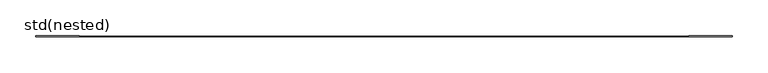
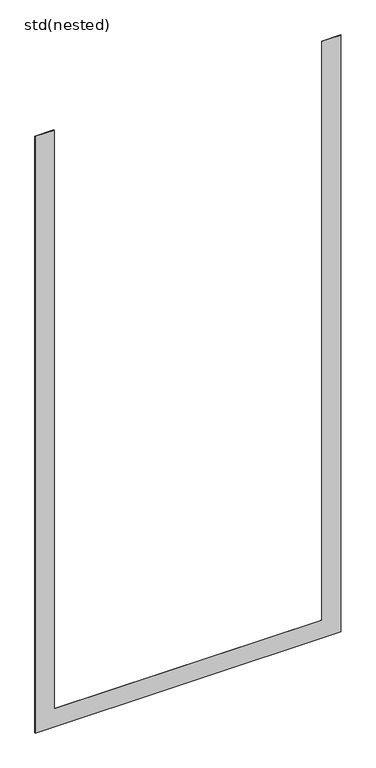
"""IFC4 building model written with IfcOpenShell, lengths in millimetres: proxy geometry, std(nested)."""

import ifcopenshell
import ifcopenshell.guid

model = None  # the IFC model being written
_history = None  # IfcOwnerHistory: only IFC2X3 demands one
_inside = {}  # id of a spatial element -> (the spatial element, [elements in it])
_under = {}  # id of a project, library or spatial element -> (it, [spatial elements below it])
_declared = {}  # id of a project -> (the project, [libraries it declares])
_typed = {}  # id of a type object -> (the type object, [elements of that type])
_made_of = {}  # id of a material, layer set ... -> (it, [elements and type objects made of it])


def new_model(schema):
    """Start an empty IFC model of exactly this schema.

    Asked for "IFC4X3", IfcOpenShell would pick the latest addendum, in which some entities
    have other attributes; the version numbers below select the first issue.
    IFC2X3 requires an IfcOwnerHistory on every rooted entity: one is made here for all.
    """
    global model, _history
    if schema == "IFC4X3":
        model = ifcopenshell.file(schema_version=(4, 3, 0, 0))
    else:
        model = ifcopenshell.file(schema=schema)
    _inside.clear()
    _under.clear()
    _declared.clear()
    _typed.clear()
    _made_of.clear()
    _history = None
    if model.schema == "IFC2X3":
        org = make("IfcOrganization", Name="unknown")
        user = make(
            "IfcPersonAndOrganization",
            ThePerson=make("IfcPerson", FamilyName="unknown"),
            TheOrganization=org,
        )
        app = make(
            "IfcApplication",
            ApplicationDeveloper=org,
            Version="unknown",
            ApplicationFullName="unknown",
            ApplicationIdentifier="unknown",
        )
        _history = make(
            "IfcOwnerHistory",
            OwningUser=user,
            OwningApplication=app,
            ChangeAction="ADDED",
            CreationDate=0,
        )
    return model


def make(cls, **values):
    """One entity of the class cls with the attributes given. An attribute that is None is left unset."""
    return model.create_entity(
        cls, **{name: value for name, value in values.items() if value is not None}
    )


def rooted(cls, **values):
    """An entity with a GlobalId (a new one), such as an element, a storey or a relation."""
    return make(cls, GlobalId=ifcopenshell.guid.new(), OwnerHistory=_history, **values)


def si_unit(unit_type, name, prefix=None):
    """IfcSIUnit, for example si_unit("LENGTHUNIT", "METRE", prefix="MILLI")."""
    return make("IfcSIUnit", UnitType=unit_type, Prefix=prefix, Name=name)


def assignment(units):
    """IfcUnitAssignment: the units of a project."""
    return None if units is None else make("IfcUnitAssignment", Units=units)


def point(xyz):
    """IfcCartesianPoint."""
    return None if xyz is None else make("IfcCartesianPoint", Coordinates=xyz)


def direction(xyz):
    """IfcDirection."""
    return None if xyz is None else make("IfcDirection", DirectionRatios=xyz)


def frame(location, z_axis=None, x_axis=None):
    """IfcAxis2Placement3D, a coordinate frame: its origin and axes. An axis left out is left unset."""
    return make(
        "IfcAxis2Placement3D",
        Location=point(location),
        Axis=direction(z_axis),
        RefDirection=direction(x_axis),
    )


def origin():
    """The frame at (0, 0, 0) with its axes left unset."""
    return frame((0.0, 0.0, 0.0))


def place(relative_to, where):
    """IfcLocalPlacement: puts the frame where relative to a parent placement (None: the world)."""
    return make(
        "IfcLocalPlacement", PlacementRelTo=relative_to, RelativePlacement=where
    )


def context(
    kind, dimensions, precision=None, world=None, true_north=None, identifier=None
):
    """IfcGeometricRepresentationContext, for example the 3D "Model" context."""
    return make(
        "IfcGeometricRepresentationContext",
        ContextIdentifier=identifier,
        ContextType=kind,
        CoordinateSpaceDimension=dimensions,
        Precision=precision,
        WorldCoordinateSystem=world,
        TrueNorth=true_north,
    )


def project(units=None, contexts=None):
    """IfcProject with its units and contexts."""
    return rooted(
        "IfcProject",
        Name="project",
        RepresentationContexts=contexts,
        UnitsInContext=assignment(units),
    )


def spatial(cls, under=None, at=None, **own):
    """A site, building, storey or space (cls), placed at a placement, below another one or the project."""
    s = rooted(cls, ObjectPlacement=at, **own)
    if under is not None:
        _under.setdefault(under.id(), (under, []))[1].append(s)
    return s


def polyline(points):
    """IfcPolyline through the points."""
    return make("IfcPolyline", Points=[point(p) for p in points])


def outline(outer, holes=None, kind="AREA"):
    """IfcArbitraryClosedProfileDef: a profile drawn as a closed curve; with holes, ...WithVoids."""
    if holes is None:
        return make("IfcArbitraryClosedProfileDef", ProfileType=kind, OuterCurve=outer)
    return make(
        "IfcArbitraryProfileDefWithVoids",
        ProfileType=kind,
        OuterCurve=outer,
        InnerCurves=holes,
    )


def extrude(swept, where, along, depth):
    """IfcExtrudedAreaSolid: the profile swept, set in the frame where, extruded along a direction by depth."""
    return make(
        "IfcExtrudedAreaSolid",
        SweptArea=swept,
        Position=where,
        ExtrudedDirection=direction(along),
        Depth=depth,
    )


def shape(context_of_items, identifier, shape_type, items):
    """IfcShapeRepresentation: the items that make up one representation, for example the "Body"."""
    return make(
        "IfcShapeRepresentation",
        ContextOfItems=context_of_items,
        RepresentationIdentifier=identifier,
        RepresentationType=shape_type,
        Items=items,
    )


def source(mapping_origin, context_of_items, identifier, shape_type, items):
    """IfcRepresentationMap: a shape defined once, which mapped items show again and again."""
    return make(
        "IfcRepresentationMap",
        MappingOrigin=mapping_origin,
        MappedRepresentation=shape(context_of_items, identifier, shape_type, items),
    )


def transform(
    local_origin,
    x_axis=None,
    y_axis=None,
    z_axis=None,
    scale=None,
    scale2=None,
    scale3=None,
    uniform=True,
):
    """IfcCartesianTransformationOperator3D, or its non-uniform kind. x_axis, y_axis, z_axis: its Axis1, 2, 3."""
    if uniform:
        return make(
            "IfcCartesianTransformationOperator3D",
            Axis1=direction(x_axis),
            Axis2=direction(y_axis),
            LocalOrigin=point(local_origin),
            Scale=scale,
            Axis3=direction(z_axis),
        )
    return make(
        "IfcCartesianTransformationOperator3DnonUniform",
        Axis1=direction(x_axis),
        Axis2=direction(y_axis),
        LocalOrigin=point(local_origin),
        Scale=scale,
        Axis3=direction(z_axis),
        Scale2=scale2,
        Scale3=scale3,
    )


def mapped(mapping_source, mapping_target):
    """IfcMappedItem: shows the shape of a source again, moved by a transform."""
    return make(
        "IfcMappedItem", MappingSource=mapping_source, MappingTarget=mapping_target
    )


def made_of(thing, what):
    """Note that an element or type object is made of a material, layer set ...; save() writes the relation."""
    if what is not None:
        _made_of.setdefault(what.id(), (what, []))[1].append(thing)
    return thing


def element(
    cls,
    number,
    at=None,
    inside=None,
    cuts=None,
    type_object=None,
    material=None,
    context=None,
    identifier="Body",
    shape_type=None,
    held_by="IfcProductDefinitionShape",
    body=None,
    shapes=None,
    **own,
):
    """One element of the class cls, such as IfcWall. Its Tag is "e" and its number.

    at: its placement. inside: the storey or other place that contains it. cuts: it is an
    opening in that element (IfcRelVoidsElement). A single representation is given by context,
    identifier, shape_type and body (its items); several are given by shapes. held_by: the class
    of the entity that holds the representations. save() writes the other relations.
    """
    e = rooted(cls, Tag="e%d" % number, ObjectPlacement=at, **own)
    if body is not None:
        shapes = [shape(context, identifier, shape_type, body)]
    if shapes is not None:
        e.Representation = make(held_by, Representations=shapes)
    if inside is not None:
        _inside.setdefault(inside.id(), (inside, []))[1].append(e)
    if cuts is not None:
        rooted(
            "IfcRelVoidsElement", RelatingBuildingElement=cuts, RelatedOpeningElement=e
        )
    if type_object is not None:
        _typed.setdefault(type_object.id(), (type_object, []))[1].append(e)
    return made_of(e, material)


def aggregate(whole, parts):
    """IfcRelAggregates: a whole, such as a stair, and the parts it consists of."""
    return rooted("IfcRelAggregates", RelatingObject=whole, RelatedObjects=parts)


def save(model, path):
    """Write the relations noted so far, then the file.

    IfcRelAggregates (storeys below a building ...), IfcRelContainedInSpatialStructure (elements
    in a storey), IfcRelDefinesByType, IfcRelAssociatesMaterial and IfcRelDeclares: one each for
    every whole, place, type object, material and project.
    """
    for whole, parts in _under.values():
        aggregate(whole, parts)
    for where, things in _inside.values():
        rooted(
            "IfcRelContainedInSpatialStructure",
            RelatedElements=things,
            RelatingStructure=where,
        )
    for kind, things in _typed.values():
        rooted("IfcRelDefinesByType", RelatedObjects=things, RelatingType=kind)
    for what, things in _made_of.values():
        rooted("IfcRelAssociatesMaterial", RelatedObjects=things, RelatingMaterial=what)
    for by, libraries in _declared.values():
        rooted("IfcRelDeclares", RelatingContext=by, RelatedDefinitions=libraries)
    model.write(path)


def std_nested_a6ced42a(model_context):
    return source(origin(), model_context, "Body", "SweptSolid", [
        extrude(outline(polyline([(0.0, -484.5), (0.0, 484.5), (2000.0, 484.5), (2000.0, 424.5), (60.0, 424.5), (60.0, -424.5), (2000.0, -424.5), (2000.0, -484.5), (0.0, -484.5)])), frame((0.0, -1.0, 0.0), z_axis=(0.0, 1.0, 0.0), x_axis=(0.0, 0.0, 1.0)), (0.0, 0.0, 1.0), 1.0),
    ])


if __name__ == "__main__":
    model = new_model("IFC4")
    model_context = context("Model", 3, world=origin())
    ifc_project = project(units=[si_unit("LENGTHUNIT", "METRE", prefix="MILLI")], contexts=[model_context])
    site = spatial("IfcSite", under=ifc_project)
    building = spatial("IfcBuilding", under=site)
    placement = place(None, origin())
    std_nested_shape = std_nested_a6ced42a(model_context)
    element("IfcBuildingElementProxy", 1, Name="std(nested)", ObjectType="std(nested)", at=placement, inside=building, context=model_context, shape_type="MappedRepresentation", body=[
        mapped(std_nested_shape, transform((0.0, 0.0, 0.0), x_axis=(1.0, 0.0, 0.0), y_axis=(0.0, 1.0, 0.0), z_axis=(0.0, 0.0, 1.0))),
    ])
    save(model, "model.ifc")
